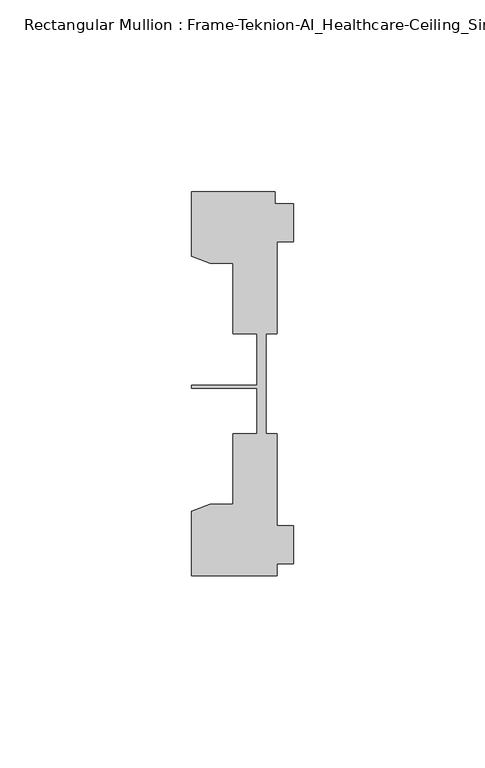
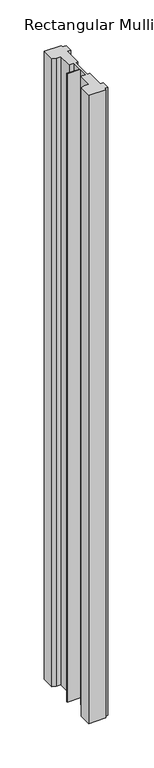
"""IFC4 building model written with IfcOpenShell, lengths in millimetres: member geometry, Rectangular Mullion : Frame-Teknion-AI_Healthcare-Ceiling_Single_Channel."""

from ifc_helpers import new_model, si_unit, frame, origin, place, context, project, spatial, polyline, outline, extrude, source, transform, mapped, element, save


def rectangular_mullion_frame_teknion_ai_healthcare_ceiling_5e298445(model_context):
    return source(origin(), model_context, "Body", "SweptSolid", [
        extrude(outline(polyline([(-26.4921999, 34.0201677), (-26.4921999, 50.8315128), (-4.7752002, 50.8315128), (-4.7752002, 47.782071), (0.0, 47.782071), (0.0, 37.7820716), (-4.2672007, 37.7820716), (-4.2672007, 13.9110722), (-7.1647766, 13.9110722), (-7.1647766, 0.0814804), (-7.1647766, -12.2509301), (-4.2672007, -12.2509301), (-4.2672007, -36.1219249), (0.0, -36.1219249), (0.0, -46.1219322), (-4.2672007, -46.1219322), (-4.2672007, -49.1699293), (-26.4921999, -49.1699293), (-26.4921999, -32.3600207), (-21.6625199, -30.6279561), (-15.6737764, -30.6279561), (-15.6737764, -12.2509301), (-9.4507761, -12.2509301), (-9.4507761, -0.4036528), (-26.4921999, -0.4036528), (-26.4921999, 0.4036528), (-9.4507761, 0.4036528), (-9.4507761, 13.9110722), (-15.6737764, 13.9110722), (-15.6737764, 32.2880982), (-21.6625199, 32.2880982), (-26.4921999, 34.0201677)])), frame((0.0, 0.0, -863.6), z_axis=(0.0, 0.0, 1.0), x_axis=(1.0, 0.0, 0.0)), (0.0, 0.0, 1.0), 863.6),
    ])


if __name__ == "__main__":
    model = new_model("IFC4")
    model_context = context("Model", 3, world=origin())
    ifc_project = project(units=[si_unit("LENGTHUNIT", "METRE", prefix="MILLI")], contexts=[model_context])
    site = spatial("IfcSite", under=ifc_project)
    building = spatial("IfcBuilding", under=site)
    placement = place(None, origin())
    rectangular_mullion_frame_teknion_ai_healthcare_ceiling_shape = rectangular_mullion_frame_teknion_ai_healthcare_ceiling_5e298445(model_context)
    element("IfcMember", 1, ObjectType="Rectangular Mullion : Frame-Teknion-AI_Healthcare-Ceiling_Single_Channel", at=placement, inside=building, context=model_context, shape_type="MappedRepresentation", body=[
        mapped(rectangular_mullion_frame_teknion_ai_healthcare_ceiling_shape, transform((0.0, 0.0, 0.0), x_axis=(1.0, 0.0, 0.0), y_axis=(0.0, 1.0, 0.0), z_axis=(0.0, 0.0, 1.0))),
    ])
    save(model, "model.ifc")
